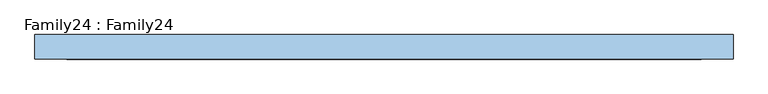
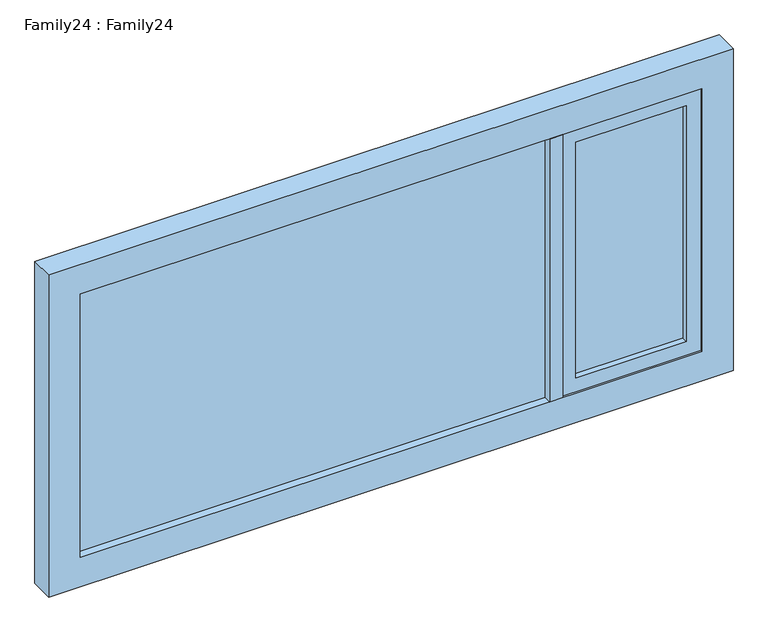
"""IFC4 building model written with IfcOpenShell, lengths in millimetres: window geometry, Family24 : Family24."""

from ifc_helpers import new_model, si_unit, frame, origin, place, context, project, spatial, polyline, outline, extrude, source, transform, mapped, element, save


def family24_family24_49e90182(model_context):
    return source(origin(), model_context, "Body", "SweptSolid", [
        extrude(outline(polyline([(1036.0, -14.0), (650.0, -14.0), (650.0, -10.0), (1036.0, -10.0), (1036.0, -14.0)])), frame((0.0, 0.0, 959.0), z_axis=(0.0, 0.0, 1.0), x_axis=(1.0, 0.0, 0.0)), (0.0, 0.0, 1.0), 872.0),
        extrude(outline(polyline([(650.0, 14.0), (1036.0, 14.0), (1036.0, 10.0), (650.0, 10.0), (650.0, 14.0)])), frame((0.0, 0.0, 959.0), z_axis=(0.0, 0.0, 1.0), x_axis=(1.0, 0.0, 0.0)), (0.0, 0.0, 1.0), 872.0),
        extrude(outline(polyline([(553.8050141, -14.0), (-1086.0, -14.0), (-1086.0, -10.0), (553.8050141, -10.0), (553.8050141, -14.0)])), frame((0.0, 0.0, 909.0), z_axis=(0.0, 0.0, 1.0), x_axis=(1.0, 0.0, 0.0)), (0.0, 0.0, 1.0), 972.0),
        extrude(outline(polyline([(-1086.0, 14.0), (553.8050141, 14.0), (553.8050141, 10.0), (-1086.0, 10.0), (-1086.0, 14.0)])), frame((0.0, 0.0, 909.0), z_axis=(0.0, 0.0, 1.0), x_axis=(1.0, 0.0, 0.0)), (0.0, 0.0, 1.0), 972.0),
        extrude(outline(polyline([(600.0, 42.0), (600.0, -42.0), (553.8050141, -42.0), (553.8050141, 42.0), (600.0, 42.0)])), frame((0.0, 0.0, 909.0), z_axis=(0.0, 0.0, 1.0), x_axis=(1.0, 0.0, 0.0)), (0.0, 0.0, 1.0), 972.0),
        extrude(outline(polyline([(1881.0, 1086.0), (1881.0, 600.0), (909.0, 600.0), (909.0, 1086.0), (1881.0, 1086.0)]), holes=[polyline([(959.0, 650.0), (1831.0, 650.0), (1831.0, 1036.0), (959.0, 1036.0), (959.0, 650.0)])]), frame((0.0, -34.9035994, 0.0), z_axis=(0.0, 1.0, 0.0), x_axis=(0.0, 0.0, 1.0)), (0.0, 0.0, 1.0), 70.4146297),
        extrude(outline(polyline([(1990.0, 1195.0), (1990.0, -1195.0), (800.0, -1195.0), (800.0, 1195.0), (1990.0, 1195.0)]), holes=[polyline([(909.0, 1086.0), (909.0, -1086.0), (1881.0, -1086.0), (1881.0, 1086.0), (909.0, 1086.0)])]), frame((0.0, -42.0, 0.0), z_axis=(0.0, 1.0, 0.0), x_axis=(0.0, 0.0, 1.0)), (0.0, 0.0, 1.0), 84.0),
    ])


if __name__ == "__main__":
    model = new_model("IFC4")
    model_context = context("Model", 3, world=origin())
    ifc_project = project(units=[si_unit("LENGTHUNIT", "METRE", prefix="MILLI")], contexts=[model_context])
    site = spatial("IfcSite", under=ifc_project)
    building = spatial("IfcBuilding", under=site)
    placement = place(None, origin())
    family24_family24_shape = family24_family24_49e90182(model_context)
    element("IfcWindow", 1, ObjectType="Family24 : Family24", at=placement, inside=building, context=model_context, shape_type="MappedRepresentation", body=[
        mapped(family24_family24_shape, transform((0.0, 0.0, 0.0), x_axis=(1.0, 0.0, 0.0), y_axis=(0.0, 1.0, 0.0), z_axis=(0.0, 0.0, 1.0))),
    ])
    save(model, "model.ifc")
